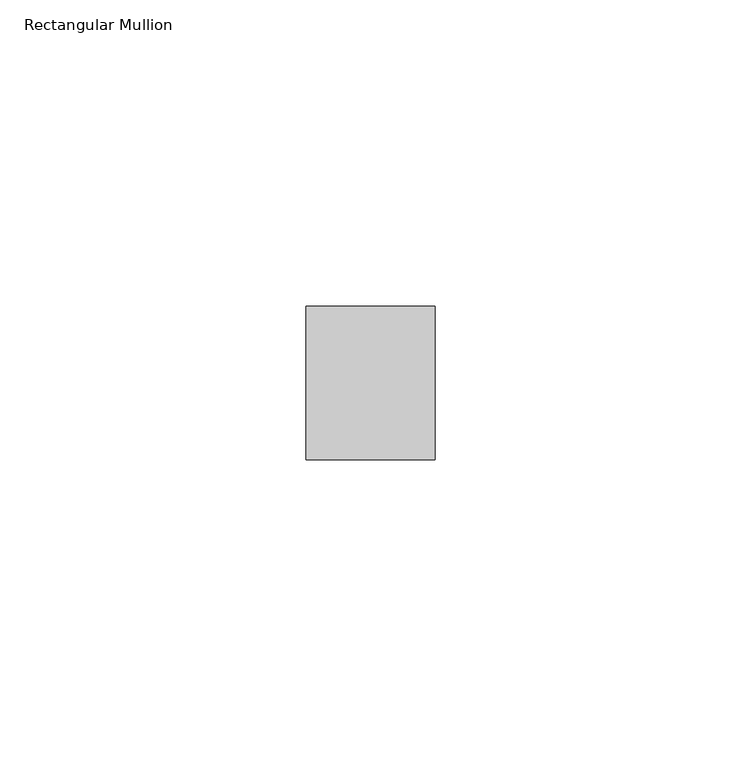
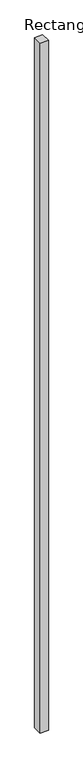
"""IFC4 building model written with IfcOpenShell, lengths in millimetres: member geometry, Rectangular Mullion."""

from ifc_helpers import new_model, si_unit, frame, origin, place, context, project, spatial, polyline, outline, extrude, source, transform, mapped, element, save


def rectangular_mullion_786617c2(model_context):
    return source(origin(), model_context, "Body", "SweptSolid", [
        extrude(outline(polyline([(0.0, 44.5), (0.0, 19.5), (-21.0, 19.5), (-21.0, 44.5), (0.0, 44.5)])), frame((0.0, 0.0, -1899.9999998), z_axis=(0.0, 0.0, 1.0), x_axis=(1.0, 0.0, 0.0)), (0.0, 0.0, 1.0), 1899.9999998),
    ])


if __name__ == "__main__":
    model = new_model("IFC4")
    model_context = context("Model", 3, world=origin())
    ifc_project = project(units=[si_unit("LENGTHUNIT", "METRE", prefix="MILLI")], contexts=[model_context])
    site = spatial("IfcSite", under=ifc_project)
    building = spatial("IfcBuilding", under=site)
    placement = place(None, origin())
    rectangular_mullion_shape = rectangular_mullion_786617c2(model_context)
    element("IfcMember", 1, ObjectType="Rectangular Mullion", at=placement, inside=building, context=model_context, shape_type="MappedRepresentation", body=[
        mapped(rectangular_mullion_shape, transform((0.0, 0.0, 0.0), x_axis=(1.0, 0.0, 0.0), y_axis=(0.0, 1.0, 0.0), z_axis=(0.0, 0.0, 1.0))),
    ])
    save(model, "model.ifc")
